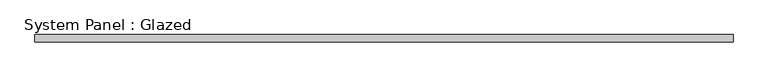
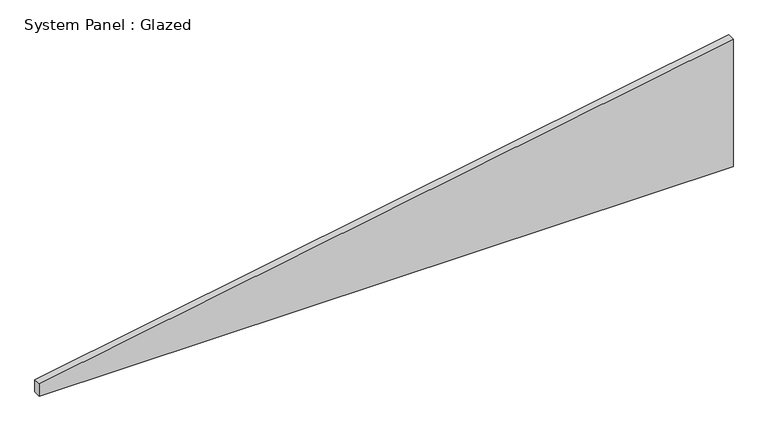
"""IFC4 building model written with IfcOpenShell, lengths in millimetres: plate geometry, System Panel : Glazed."""

from ifc_helpers import new_model, si_unit, frame, origin, place, context, project, spatial, polyline, outline, extrude, source, transform, mapped, element, save


def system_panel_glazed_dbf2f228(model_context):
    return source(origin(), model_context, "Body", "SweptSolid", [
        extrude(outline(polyline([(0.0, -1171.7121958), (0.0, 1171.7121958), (455.6037512, 1171.7121958), (43.9275022, -1171.7121958), (0.0, -1171.7121958)])), frame((0.0, -49.5, 0.0), z_axis=(0.0, 1.0, 0.0), x_axis=(0.0, 0.0, 1.0)), (0.0, 0.0, 1.0), 25.0),
    ])


if __name__ == "__main__":
    model = new_model("IFC4")
    model_context = context("Model", 3, world=origin())
    ifc_project = project(units=[si_unit("LENGTHUNIT", "METRE", prefix="MILLI")], contexts=[model_context])
    site = spatial("IfcSite", under=ifc_project)
    building = spatial("IfcBuilding", under=site)
    placement = place(None, origin())
    system_panel_glazed_shape = system_panel_glazed_dbf2f228(model_context)
    element("IfcPlate", 1, ObjectType="System Panel : Glazed", at=placement, inside=building, context=model_context, shape_type="MappedRepresentation", body=[
        mapped(system_panel_glazed_shape, transform((0.0, 0.0, 0.0), x_axis=(1.0, 0.0, 0.0), y_axis=(0.0, 1.0, 0.0), z_axis=(0.0, 0.0, 1.0))),
    ])
    save(model, "model.ifc")
